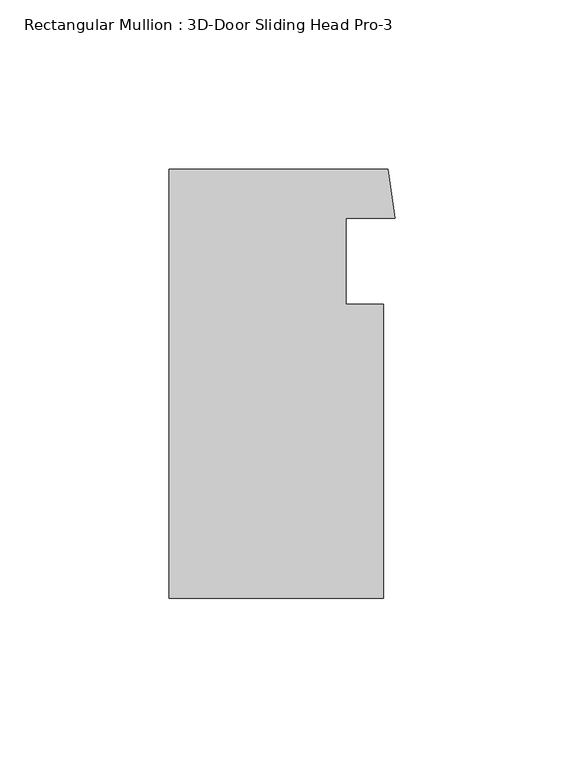
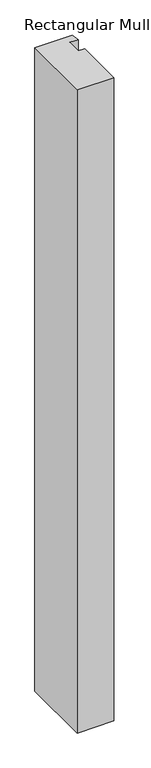
"""IFC4 building model written with IfcOpenShell, lengths in millimetres: member geometry, Rectangular Mullion : 3D-Door Sliding Head Pro-3."""

from ifc_helpers import new_model, si_unit, frame, origin, place, context, project, spatial, polyline, outline, extrude, source, transform, mapped, element, save


def rectangular_mullion_3d_door_sliding_head_pro_3_cda0a61f(model_context):
    return source(origin(), model_context, "Body", "SweptSolid", [
        extrude(outline(polyline([(-34.924999, 54.0742192), (29.9153823, 54.0742192), (31.9832756, 39.4840828), (17.4752, 39.4840828), (17.4752, 14.0840828), (28.575, 14.0840828), (28.575, -72.9257817), (-34.924999, -72.9257817), (-34.924999, 54.0742192)])), frame((0.0, 0.0, -1181.1), z_axis=(0.0, 0.0, 1.0), x_axis=(1.0, 0.0, 0.0)), (0.0, 0.0, 1.0), 1181.1),
    ])


if __name__ == "__main__":
    model = new_model("IFC4")
    model_context = context("Model", 3, world=origin())
    ifc_project = project(units=[si_unit("LENGTHUNIT", "METRE", prefix="MILLI")], contexts=[model_context])
    site = spatial("IfcSite", under=ifc_project)
    building = spatial("IfcBuilding", under=site)
    placement = place(None, origin())
    rectangular_mullion_3d_door_sliding_head_pro_3_shape = rectangular_mullion_3d_door_sliding_head_pro_3_cda0a61f(model_context)
    element("IfcMember", 1, ObjectType="Rectangular Mullion : 3D-Door Sliding Head Pro-3", at=placement, inside=building, context=model_context, shape_type="MappedRepresentation", body=[
        mapped(rectangular_mullion_3d_door_sliding_head_pro_3_shape, transform((0.0, 0.0, 0.0), x_axis=(1.0, 0.0, 0.0), y_axis=(0.0, 1.0, 0.0), z_axis=(0.0, 0.0, 1.0))),
    ])
    save(model, "model.ifc")
